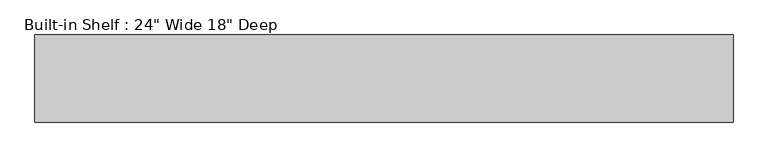
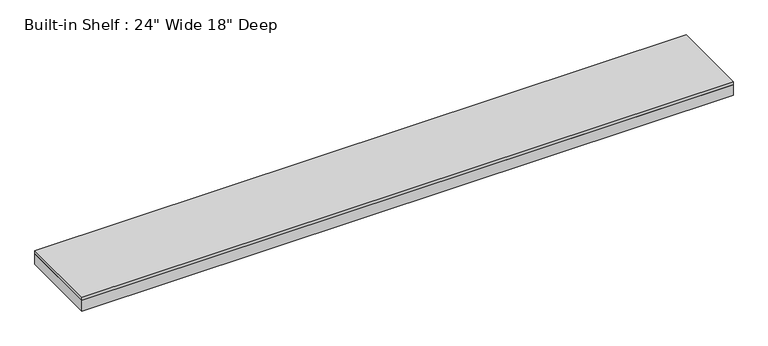
"""IFC4 building model written with IfcOpenShell, lengths in millimetres: furniture geometry."""

import ifcopenshell
import ifcopenshell.guid

model = None  # the IFC model being written
_history = None  # IfcOwnerHistory: only IFC2X3 demands one
_inside = {}  # id of a spatial element -> (the spatial element, [elements in it])
_under = {}  # id of a project, library or spatial element -> (it, [spatial elements below it])
_declared = {}  # id of a project -> (the project, [libraries it declares])
_typed = {}  # id of a type object -> (the type object, [elements of that type])
_made_of = {}  # id of a material, layer set ... -> (it, [elements and type objects made of it])


def new_model(schema):
    """Start an empty IFC model of exactly this schema.

    Asked for "IFC4X3", IfcOpenShell would pick the latest addendum, in which some entities
    have other attributes; the version numbers below select the first issue.
    IFC2X3 requires an IfcOwnerHistory on every rooted entity: one is made here for all.
    """
    global model, _history
    if schema == "IFC4X3":
        model = ifcopenshell.file(schema_version=(4, 3, 0, 0))
    else:
        model = ifcopenshell.file(schema=schema)
    _inside.clear()
    _under.clear()
    _declared.clear()
    _typed.clear()
    _made_of.clear()
    _history = None
    if model.schema == "IFC2X3":
        org = make("IfcOrganization", Name="unknown")
        user = make(
            "IfcPersonAndOrganization",
            ThePerson=make("IfcPerson", FamilyName="unknown"),
            TheOrganization=org,
        )
        app = make(
            "IfcApplication",
            ApplicationDeveloper=org,
            Version="unknown",
            ApplicationFullName="unknown",
            ApplicationIdentifier="unknown",
        )
        _history = make(
            "IfcOwnerHistory",
            OwningUser=user,
            OwningApplication=app,
            ChangeAction="ADDED",
            CreationDate=0,
        )
    return model


def make(cls, **values):
    """One entity of the class cls with the attributes given. An attribute that is None is left unset."""
    return model.create_entity(
        cls, **{name: value for name, value in values.items() if value is not None}
    )


def rooted(cls, **values):
    """An entity with a GlobalId (a new one), such as an element, a storey or a relation."""
    return make(cls, GlobalId=ifcopenshell.guid.new(), OwnerHistory=_history, **values)


def si_unit(unit_type, name, prefix=None):
    """IfcSIUnit, for example si_unit("LENGTHUNIT", "METRE", prefix="MILLI")."""
    return make("IfcSIUnit", UnitType=unit_type, Prefix=prefix, Name=name)


def assignment(units):
    """IfcUnitAssignment: the units of a project."""
    return None if units is None else make("IfcUnitAssignment", Units=units)


def point(xyz):
    """IfcCartesianPoint."""
    return None if xyz is None else make("IfcCartesianPoint", Coordinates=xyz)


def direction(xyz):
    """IfcDirection."""
    return None if xyz is None else make("IfcDirection", DirectionRatios=xyz)


def frame(location, z_axis=None, x_axis=None):
    """IfcAxis2Placement3D, a coordinate frame: its origin and axes. An axis left out is left unset."""
    return make(
        "IfcAxis2Placement3D",
        Location=point(location),
        Axis=direction(z_axis),
        RefDirection=direction(x_axis),
    )


def origin():
    """The frame at (0, 0, 0) with its axes left unset."""
    return frame((0.0, 0.0, 0.0))


def place(relative_to, where):
    """IfcLocalPlacement: puts the frame where relative to a parent placement (None: the world)."""
    return make(
        "IfcLocalPlacement", PlacementRelTo=relative_to, RelativePlacement=where
    )


def context(
    kind, dimensions, precision=None, world=None, true_north=None, identifier=None
):
    """IfcGeometricRepresentationContext, for example the 3D "Model" context."""
    return make(
        "IfcGeometricRepresentationContext",
        ContextIdentifier=identifier,
        ContextType=kind,
        CoordinateSpaceDimension=dimensions,
        Precision=precision,
        WorldCoordinateSystem=world,
        TrueNorth=true_north,
    )


def project(units=None, contexts=None):
    """IfcProject with its units and contexts."""
    return rooted(
        "IfcProject",
        Name="project",
        RepresentationContexts=contexts,
        UnitsInContext=assignment(units),
    )


def spatial(cls, under=None, at=None, **own):
    """A site, building, storey or space (cls), placed at a placement, below another one or the project."""
    s = rooted(cls, ObjectPlacement=at, **own)
    if under is not None:
        _under.setdefault(under.id(), (under, []))[1].append(s)
    return s


def polyline(points):
    """IfcPolyline through the points."""
    return make("IfcPolyline", Points=[point(p) for p in points])


def outline(outer, holes=None, kind="AREA"):
    """IfcArbitraryClosedProfileDef: a profile drawn as a closed curve; with holes, ...WithVoids."""
    if holes is None:
        return make("IfcArbitraryClosedProfileDef", ProfileType=kind, OuterCurve=outer)
    return make(
        "IfcArbitraryProfileDefWithVoids",
        ProfileType=kind,
        OuterCurve=outer,
        InnerCurves=holes,
    )


def extrude(swept, where, along, depth):
    """IfcExtrudedAreaSolid: the profile swept, set in the frame where, extruded along a direction by depth."""
    return make(
        "IfcExtrudedAreaSolid",
        SweptArea=swept,
        Position=where,
        ExtrudedDirection=direction(along),
        Depth=depth,
    )


def shape(context_of_items, identifier, shape_type, items):
    """IfcShapeRepresentation: the items that make up one representation, for example the "Body"."""
    return make(
        "IfcShapeRepresentation",
        ContextOfItems=context_of_items,
        RepresentationIdentifier=identifier,
        RepresentationType=shape_type,
        Items=items,
    )


def source(mapping_origin, context_of_items, identifier, shape_type, items):
    """IfcRepresentationMap: a shape defined once, which mapped items show again and again."""
    return make(
        "IfcRepresentationMap",
        MappingOrigin=mapping_origin,
        MappedRepresentation=shape(context_of_items, identifier, shape_type, items),
    )


def transform(
    local_origin,
    x_axis=None,
    y_axis=None,
    z_axis=None,
    scale=None,
    scale2=None,
    scale3=None,
    uniform=True,
):
    """IfcCartesianTransformationOperator3D, or its non-uniform kind. x_axis, y_axis, z_axis: its Axis1, 2, 3."""
    if uniform:
        return make(
            "IfcCartesianTransformationOperator3D",
            Axis1=direction(x_axis),
            Axis2=direction(y_axis),
            LocalOrigin=point(local_origin),
            Scale=scale,
            Axis3=direction(z_axis),
        )
    return make(
        "IfcCartesianTransformationOperator3DnonUniform",
        Axis1=direction(x_axis),
        Axis2=direction(y_axis),
        LocalOrigin=point(local_origin),
        Scale=scale,
        Axis3=direction(z_axis),
        Scale2=scale2,
        Scale3=scale3,
    )


def mapped(mapping_source, mapping_target):
    """IfcMappedItem: shows the shape of a source again, moved by a transform."""
    return make(
        "IfcMappedItem", MappingSource=mapping_source, MappingTarget=mapping_target
    )


def made_of(thing, what):
    """Note that an element or type object is made of a material, layer set ...; save() writes the relation."""
    if what is not None:
        _made_of.setdefault(what.id(), (what, []))[1].append(thing)
    return thing


def element(
    cls,
    number,
    at=None,
    inside=None,
    cuts=None,
    type_object=None,
    material=None,
    context=None,
    identifier="Body",
    shape_type=None,
    held_by="IfcProductDefinitionShape",
    body=None,
    shapes=None,
    **own,
):
    """One element of the class cls, such as IfcWall. Its Tag is "e" and its number.

    at: its placement. inside: the storey or other place that contains it. cuts: it is an
    opening in that element (IfcRelVoidsElement). A single representation is given by context,
    identifier, shape_type and body (its items); several are given by shapes. held_by: the class
    of the entity that holds the representations. save() writes the other relations.
    """
    e = rooted(cls, Tag="e%d" % number, ObjectPlacement=at, **own)
    if body is not None:
        shapes = [shape(context, identifier, shape_type, body)]
    if shapes is not None:
        e.Representation = make(held_by, Representations=shapes)
    if inside is not None:
        _inside.setdefault(inside.id(), (inside, []))[1].append(e)
    if cuts is not None:
        rooted(
            "IfcRelVoidsElement", RelatingBuildingElement=cuts, RelatedOpeningElement=e
        )
    if type_object is not None:
        _typed.setdefault(type_object.id(), (type_object, []))[1].append(e)
    return made_of(e, material)


def aggregate(whole, parts):
    """IfcRelAggregates: a whole, such as a stair, and the parts it consists of."""
    return rooted("IfcRelAggregates", RelatingObject=whole, RelatedObjects=parts)


def save(model, path):
    """Write the relations noted so far, then the file.

    IfcRelAggregates (storeys below a building ...), IfcRelContainedInSpatialStructure (elements
    in a storey), IfcRelDefinesByType, IfcRelAssociatesMaterial and IfcRelDeclares: one each for
    every whole, place, type object, material and project.
    """
    for whole, parts in _under.values():
        aggregate(whole, parts)
    for where, things in _inside.values():
        rooted(
            "IfcRelContainedInSpatialStructure",
            RelatedElements=things,
            RelatingStructure=where,
        )
    for kind, things in _typed.values():
        rooted("IfcRelDefinesByType", RelatedObjects=things, RelatingType=kind)
    for what, things in _made_of.values():
        rooted("IfcRelAssociatesMaterial", RelatedObjects=things, RelatingMaterial=what)
    for by, libraries in _declared.values():
        rooted("IfcRelDeclares", RelatingContext=by, RelatedDefinitions=libraries)
    model.write(path)


def furniture_8d6509ab(model_context):
    return source(origin(), model_context, "Body", "SweptSolid", [
        extrude(outline(polyline([(1831.1482466, 554.0375), (1831.1482466, 96.8375), (-1831.1482466, 96.8375), (-1831.1482466, 554.0375), (1831.1482466, 554.0375)])), frame((0.0, 0.0, 2114.55), z_axis=(0.0, 0.0, 1.0), x_axis=(1.0, 0.0, 0.0)), (0.0, 0.0, 1.0), 19.05),
        extrude(outline(polyline([(1831.1482466, 96.8375), (-1831.1482466, 96.8375), (-1831.1482466, 554.0375), (-1812.0982466, 554.0375), (-1812.0982466, 115.8875), (1812.0982466, 115.8875), (1812.0982466, 554.0375), (1831.1482466, 554.0375), (1831.1482466, 96.8375)])), frame((0.0, 0.0, 2051.05), z_axis=(0.0, 0.0, 1.0), x_axis=(1.0, 0.0, 0.0)), (0.0, 0.0, 1.0), 63.5),
    ])


if __name__ == "__main__":
    model = new_model("IFC4")
    model_context = context("Model", 3, world=origin())
    ifc_project = project(units=[si_unit("LENGTHUNIT", "METRE", prefix="MILLI")], contexts=[model_context])
    site = spatial("IfcSite", under=ifc_project)
    building = spatial("IfcBuilding", under=site)
    placement = place(None, origin())
    furniture_shape = furniture_8d6509ab(model_context)
    element("IfcFurniture", 1, ObjectType="Built-in Shelf : 24\" Wide 18\" Deep", at=placement, inside=building, context=model_context, shape_type="MappedRepresentation", body=[
        mapped(furniture_shape, transform((0.0, 0.0, 0.0), x_axis=(1.0, 0.0, 0.0), y_axis=(0.0, 1.0, 0.0), z_axis=(0.0, 0.0, 1.0))),
    ])
    save(model, "model.ifc")
